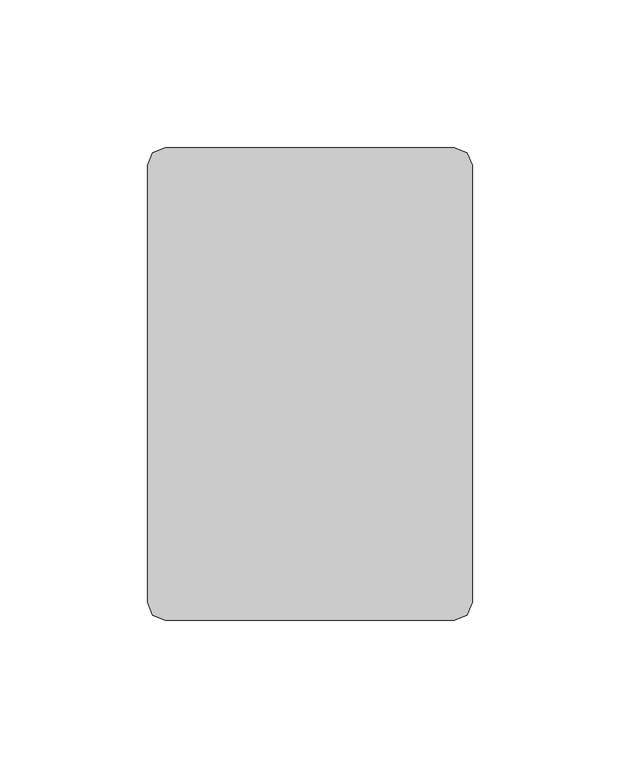
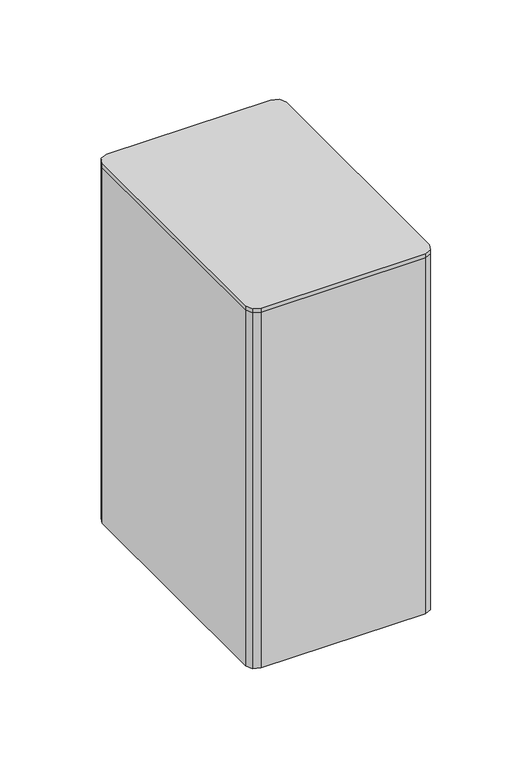
"""IFC4 building model written with IfcOpenShell, lengths in millimetres: furniture geometry."""

from ifc_helpers import new_model, si_unit, frame, origin, place, context, project, spatial, polyline, outline, extrude, faceted_brep, source, transform, mapped, element, save


def furniture_e576e4a9(model_context):
    return source(origin(), model_context, "Body", "SolidModel", [
        extrude(outline(polyline([(-48.9999978, 80.0000042), (48.9999978, 80.0000042), (53.2426395, 78.2426442), (54.9999995, 73.999998), (54.9999995, -73.999998), (53.2426395, -78.2426442), (48.9999978, -80.0000042), (-48.9999978, -80.0000042), (-53.2426395, -78.2426442), (-54.9999995, -73.999998), (-54.9999995, 73.999998), (-53.2426395, 78.2426442), (-48.9999978, 80.0000042)])), frame((0.0, 0.0, 794.2964298), z_axis=(0.0, 0.0, 1.0), x_axis=(1.0, 0.0, 0.0)), (0.0, 0.0, 1.0), 2.659358),
        extrude(outline(polyline([(-48.9999978, 80.0000042), (48.9999978, 80.0000042), (53.2426395, 78.2426442), (54.9999995, 73.999998), (54.9999995, -73.999998), (53.2426395, -78.2426442), (48.9999978, -80.0000042), (-48.9999978, -80.0000042), (-53.2426395, -78.2426442), (-54.9999995, -73.999998), (-54.9999995, 73.999998), (-53.2426395, 78.2426442), (-48.9999978, 80.0000042)])), frame((0.0, 0.0, 569.7131178), z_axis=(0.0, 0.0, 1.0), x_axis=(1.0, 0.0, 0.0)), (0.0, 0.0, 1.0), 227.2426701),
        faceted_brep([(-11.0538266, 37.9523959, 794.2964298), (-12.4331176, 37.3481745, 794.2964298), (-13.0000002, 35.953122, 794.2964298), (-13.0000002, -35.953122, 794.2964298), (-12.4331176, -37.3481745, 794.2964298), (-11.0538266, -37.9523959, 794.2964298), (0.0, -38.2499999, 794.2964298), (11.0538266, -37.9523959, 794.2964298), (12.4331176, -37.3481745, 794.2964298), (13.0000002, -35.953122, 794.2964298), (13.0000002, 35.953122, 794.2964298), (12.4331176, 37.3481745, 794.2964298), (11.0538266, 37.9523959, 794.2964298), (0.0, 38.2499999, 794.2964298), (13.0000002, 32.3316861, 718.1103098), (13.0000002, 15.7670163, 718.1103098), (-13.0000002, 15.7670163, 718.1103098), (-13.0000002, 32.3316861, 718.1103098), (13.0000002, -15.7947705, 718.1103098), (13.0000002, -32.3457341, 718.1103098), (-13.0000002, -32.3457341, 718.1103098), (-13.0000002, -15.7947705, 718.1103098), (-11.0538266, 37.9523959, 721.2458742), (-12.4331176, 37.3481745, 721.2458742), (-13.0000002, 35.953122, 721.2458742), (-13.0000002, 32.3316861, 721.2458742), (-13.0000002, 13.5059639, 718.7237171), (-13.0000002, 11.7633025, 720.4449783), (-13.0000002, 11.147505, 722.8268824), (-13.0000002, 11.147505, 724.4458969), (-13.0000002, -11.1671157, 724.4458969), (-13.0000002, -11.1671157, 722.8156912), (-13.0000002, -11.7781419, 720.4502106), (-13.0000002, -13.5152418, 718.7258245), (-13.0000002, -32.3457341, 721.2458742), (-13.0000002, -35.953122, 721.2458742), (-12.4331176, -37.3481745, 721.2458742), (-11.0538266, -37.9523959, 721.2458742), (0.0, -38.2499999, 721.2458742), (11.0538266, -37.9523959, 721.2458742), (12.4331176, -37.3481745, 721.2458742), (13.0000002, -35.953122, 721.2458742), (13.0000002, -32.3457341, 721.2458742), (13.0000002, -13.5152418, 718.7258245), (13.0000002, -11.7781419, 720.4502106), (13.0000002, -11.1671157, 722.8156912), (13.0000002, -11.1671157, 724.4458969), (13.0000002, 11.147505, 724.4458969), (13.0000002, 11.147505, 722.8268824), (13.0000002, 11.7633025, 720.4449783), (13.0000002, 13.5059639, 718.7237171), (13.0000002, 32.3316861, 721.2458742), (13.0000002, 35.953122, 721.2458742), (12.4331176, 37.3481745, 721.2458742), (11.0538266, 37.9523959, 721.2458742), (0.0, 38.2499999, 721.2458742)], [[[0, 1, 2, 3, 4, 5, 6, 7, 8, 9, 10, 11, 12, 13]], [[14, 15, 16, 17]], [[18, 19, 20, 21]], [[1, 0, 22, 23]], [[2, 1, 23, 24]], [[3, 2, 24, 25, 17, 16, 26, 27, 28, 29, 30, 31, 32, 33, 21, 20, 34, 35]], [[4, 3, 35, 36]], [[5, 4, 36, 37]], [[6, 5, 37, 38]], [[7, 6, 38, 39]], [[8, 7, 39, 40]], [[9, 8, 40, 41]], [[10, 9, 41, 42, 19, 18, 43, 44, 45, 46, 47, 48, 49, 50, 15, 14, 51, 52]], [[11, 10, 52, 53]], [[12, 11, 53, 54]], [[13, 12, 54, 55]], [[0, 13, 55, 22]], [[34, 42, 41, 40, 39, 38, 37, 36, 35]], [[51, 25, 24, 23, 22, 55, 54, 53, 52]], [[25, 51, 14, 17]], [[50, 26, 16, 15]], [[26, 50, 49, 27]], [[27, 49, 48, 28]], [[28, 48, 47, 29]], [[29, 47, 46, 30]], [[30, 46, 45, 31]], [[31, 45, 44, 32]], [[32, 44, 43, 33]], [[33, 43, 18, 21]], [[42, 34, 20, 19]]]),
        extrude(outline(polyline([(-2.3807591, 10.3544041), (0.2588864, 11.8784049), (12.5772313, 11.8784049), (13.8970544, 9.5924048), (2.3807591, -10.3544041), (-0.2588864, -11.8784049), (-12.5772313, -11.8784049), (-13.8970544, -9.5924048), (-2.3807591, 10.3544041)])), frame((0.0, 0.0, 707.8726353), z_axis=(0.0, 0.0, 1.0), x_axis=(1.0, 0.0, 0.0)), (0.0, 0.0, 1.0), 6.3499758),
        extrude(outline(polyline([(-1.0271881, 3.8335182), (1.984375, 3.4370384), (3.8335182, 1.0271881), (3.4370384, -1.984375), (1.0271881, -3.8335182), (-1.984375, -3.4370384), (-3.8335182, -1.0271881), (-3.4370384, 1.984375), (-1.0271881, 3.8335182)])), frame((0.0, 0.0, 714.222611), z_axis=(0.0, 0.0, 1.0), x_axis=(1.0, 0.0, 0.0)), (0.0, 0.0, 1.0), 80.0738188),
    ])


if __name__ == "__main__":
    model = new_model("IFC4")
    model_context = context("Model", 3, world=origin())
    ifc_project = project(units=[si_unit("LENGTHUNIT", "METRE", prefix="MILLI")], contexts=[model_context])
    site = spatial("IfcSite", under=ifc_project)
    building = spatial("IfcBuilding", under=site)
    placement = place(None, origin())
    furniture_shape = furniture_e576e4a9(model_context)
    element("IfcFurniture", 1, at=placement, inside=building, context=model_context, shape_type="MappedRepresentation", body=[
        mapped(furniture_shape, transform((0.0, 0.0, 0.0), x_axis=(1.0, 0.0, 0.0), y_axis=(0.0, 1.0, 0.0), z_axis=(0.0, 0.0, 1.0))),
    ])
    save(model, "model.ifc")
